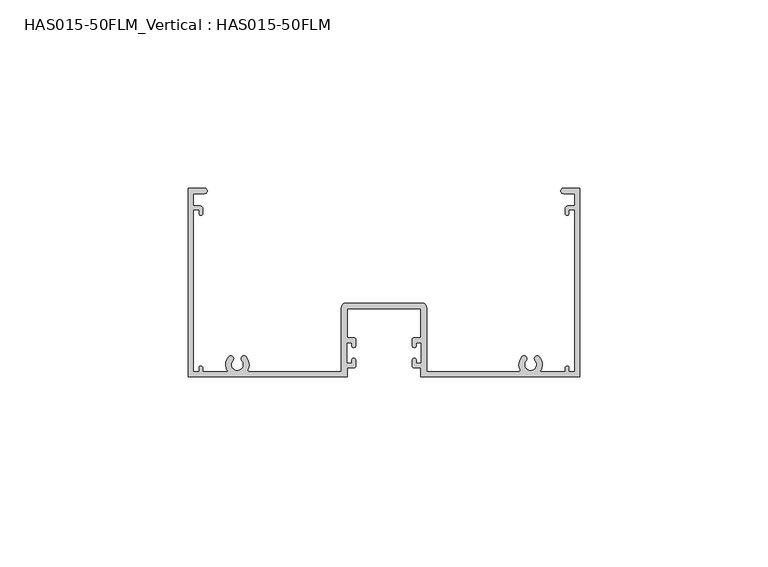
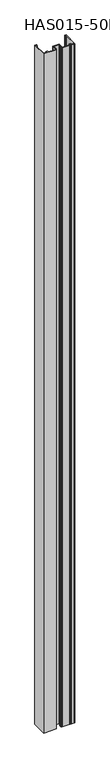
"""IFC4 building model written with IfcOpenShell, lengths in millimetres: beam geometry, HAS015-50FLM_Vertical : HAS015-50FLM."""

from ifc_helpers import new_model, si_unit, point, frame, frame_2d, origin, place, context, project, spatial, polyline, circle_curve, trimmed, segment, composite_curve, outline, extrude, source, transform, mapped, element, save


def has015_50flm_vertical_has015_50flm_525d4719(model_context):
    return source(origin(), model_context, "Body", "SweptSolid", [
        extrude(outline(composite_curve([segment(polyline([(-9.7397316, 2.3590177), (-9.7397316, 0.0), (-51.998773, 0.0), (-51.998773, 50.0959329), (-47.6822725, 50.0959329)]), True, "CONTINUOUS"), segment(trimmed(circle_curve(frame_2d((-47.6822725, 49.3932468)), 0.7026861), [point((-47.6822725, 50.0959329))], [point((-47.6822725, 48.6905607))], False, "CARTESIAN"), True, "CONTINUOUS"), segment(polyline([(-47.6822725, 48.6905607), (-50.6435926, 48.6905607), (-50.6435926, 45.4280894), (-48.9370692, 45.4280894)]), True, "CONTINUOUS"), segment(trimmed(circle_curve(frame_2d((-48.9370692, 44.6250195)), 0.8030699), [point((-48.9370692, 45.4280894))], [point((-48.1339993, 44.6250195))], False, "CARTESIAN"), True, "CONTINUOUS"), segment(polyline([(-48.1339993, 44.6250195), (-48.1339993, 43.4204148)]), True, "CONTINUOUS"), segment(trimmed(circle_curve(frame_2d((-48.635918, 43.4204148)), 0.5019187), [point((-48.1339993, 43.4204148))], [point((-49.1378366, 43.4204148))], False, "CARTESIAN"), True, "CONTINUOUS"), segment(polyline([(-49.1378366, 43.4204148), (-49.1378366, 44.4242521), (-50.6435926, 44.4242521), (-50.6435926, 1.3551804), (-49.1378366, 1.3551804), (-49.1378366, 2.3590177)]), True, "CONTINUOUS"), segment(trimmed(circle_curve(frame_2d((-48.635918, 2.3590177)), 0.5019187), [point((-49.1378366, 2.3590177))], [point((-48.1339993, 2.3590177))], False, "CARTESIAN"), True, "CONTINUOUS"), segment(polyline([(-48.1339993, 2.3590177), (-48.1339993, 1.3545941), (-41.4077771, 1.3545941)]), True, "CONTINUOUS"), segment(trimmed(circle_curve(frame_2d((-38.9488879, 3.261885)), 3.1118957), [point((-41.4077771, 1.3545941))], [point((-41.283567, 5.3193515))], False, "CARTESIAN"), True, "CONTINUOUS"), segment(trimmed(circle_curve(frame_2d((-40.7187253, 4.8215773)), 0.752878), [point((-41.283567, 5.3193515))], [point((-40.1538835, 4.3238032))], False, "CARTESIAN"), True, "CONTINUOUS"), segment(trimmed(circle_curve(frame_2d((-38.9488879, 3.261885)), 1.6061397), [point((-40.1538835, 4.3238032))], [point((-38.9185853, 1.6560312))], True, "CARTESIAN"), True, "CONTINUOUS"), segment(trimmed(circle_curve(frame_2d((-38.9488879, 3.261885)), 1.6061397), [point((-38.9185853, 1.6560312))], [point((-37.7438922, 4.3238032))], True, "CARTESIAN"), True, "CONTINUOUS"), segment(trimmed(circle_curve(frame_2d((-37.1790505, 4.8215773)), 0.752878), [point((-37.7438922, 4.3238032))], [point((-36.6142088, 5.3193515))], False, "CARTESIAN"), True, "CONTINUOUS"), segment(trimmed(circle_curve(frame_2d((-38.9488879, 3.261885)), 3.1118957), [point((-36.6142088, 5.3193515))], [point((-36.1372659, 1.9282147))], False, "CARTESIAN"), True, "CONTINUOUS"), segment(trimmed(circle_curve(frame_2d((-35.7744765, 1.7561284)), 0.4015343), [point((-36.1372659, 1.9282147))], [point((-35.7744765, 1.3545941))], True, "CARTESIAN"), True, "CONTINUOUS"), segment(polyline([(-35.7744765, 1.3545941), (-11.2956794, 1.3545941), (-11.2956794, 18.3702229)]), True, "CONTINUOUS"), segment(trimmed(circle_curve(frame_2d((-10.0910746, 18.3702229)), 1.2046048), [point((-11.2956794, 18.3702229))], [point((-10.0910746, 19.5748277))], False, "CARTESIAN"), True, "CONTINUOUS"), segment(polyline([(-10.0910746, 19.5748277), (10.0910746, 19.5748277)]), True, "CONTINUOUS"), segment(trimmed(circle_curve(frame_2d((10.0910746, 18.3702229)), 1.2046048), [point((10.0910746, 19.5748277))], [point((11.2956794, 18.3702229))], False, "CARTESIAN"), True, "CONTINUOUS"), segment(polyline([(11.2956794, 18.3702229), (11.2956794, 1.3545941), (35.7744765, 1.3545941)]), True, "CONTINUOUS"), segment(trimmed(circle_curve(frame_2d((35.7744765, 1.7561284)), 0.4015343), [point((35.7744765, 1.3545941))], [point((36.1372659, 1.9282147))], True, "CARTESIAN"), True, "CONTINUOUS"), segment(trimmed(circle_curve(frame_2d((38.9488879, 3.261885)), 3.1118957), [point((36.1372659, 1.9282147))], [point((36.6142088, 5.3193515))], False, "CARTESIAN"), True, "CONTINUOUS"), segment(trimmed(circle_curve(frame_2d((37.1790505, 4.8215773)), 0.752878), [point((36.6142088, 5.3193515))], [point((37.7438922, 4.3238032))], False, "CARTESIAN"), True, "CONTINUOUS"), segment(trimmed(circle_curve(frame_2d((38.9488879, 3.261885)), 1.6061397), [point((37.7438922, 4.3238032))], [point((38.9939217, 1.6563768))], True, "CARTESIAN"), True, "CONTINUOUS"), segment(trimmed(circle_curve(frame_2d((38.9488879, 3.261885)), 1.6061397), [point((38.9939217, 1.6563768))], [point((40.1538836, 4.3238032))], True, "CARTESIAN"), True, "CONTINUOUS"), segment(trimmed(circle_curve(frame_2d((40.7187253, 4.8215773)), 0.752878), [point((40.1538836, 4.3238032))], [point((41.283567, 5.3193515))], False, "CARTESIAN"), True, "CONTINUOUS"), segment(trimmed(circle_curve(frame_2d((38.9488879, 3.261885)), 3.1118957), [point((41.283567, 5.3193515))], [point((41.4082317, 1.3551804))], False, "CARTESIAN"), True, "CONTINUOUS"), segment(polyline([(41.4082317, 1.3551804), (48.1339993, 1.3551804), (48.1339993, 2.3590177)]), True, "CONTINUOUS"), segment(trimmed(circle_curve(frame_2d((48.635918, 2.3590177)), 0.5019187), [point((48.1339993, 2.3590177))], [point((49.1378366, 2.3590177))], False, "CARTESIAN"), True, "CONTINUOUS"), segment(polyline([(49.1378366, 2.3590177), (49.1378366, 1.3551804), (50.6435926, 1.3551804), (50.6435926, 44.4242521), (49.1378366, 44.4242521), (49.1378366, 43.4204148)]), True, "CONTINUOUS"), segment(trimmed(circle_curve(frame_2d((48.635918, 43.4204148)), 0.5019187), [point((49.1378366, 43.4204148))], [point((48.1339993, 43.4204148))], False, "CARTESIAN"), True, "CONTINUOUS"), segment(polyline([(48.1339993, 43.4204148), (48.1339993, 44.6250195)]), True, "CONTINUOUS"), segment(trimmed(circle_curve(frame_2d((48.9370692, 44.6250195)), 0.8030699), [point((48.1339993, 44.6250195))], [point((48.9370692, 45.4280894))], False, "CARTESIAN"), True, "CONTINUOUS"), segment(polyline([(48.9370692, 45.4280894), (50.6435926, 45.4280894), (50.6435926, 48.6905607), (47.6822725, 48.6905607)]), True, "CONTINUOUS"), segment(trimmed(circle_curve(frame_2d((47.6822725, 49.3932468)), 0.7026861), [point((47.6822725, 48.6905607))], [point((47.6822725, 50.0959329))], False, "CARTESIAN"), True, "CONTINUOUS"), segment(polyline([(47.6822725, 50.0959329), (51.998773, 50.0959329), (51.998773, 0.0), (9.7397316, 0.0), (9.7397316, 2.3590177), (8.0332081, 2.3590177)]), True, "CONTINUOUS"), segment(trimmed(circle_curve(frame_2d((8.0332081, 2.8609364)), 0.5019187), [point((8.0332081, 2.3590177))], [point((7.5312895, 2.8609364))], False, "CARTESIAN"), True, "CONTINUOUS"), segment(polyline([(7.5312895, 2.8609364), (7.5312895, 4.4663086)]), True, "CONTINUOUS"), segment(trimmed(circle_curve(frame_2d((8.0332081, 4.4663086)), 0.5019187), [point((7.5312895, 4.4663086))], [point((8.5351268, 4.4663086))], False, "CARTESIAN"), True, "CONTINUOUS"), segment(polyline([(8.5351268, 4.4663086), (8.5351268, 3.6640062), (9.940499, 3.6640062), (9.940499, 9.0847277), (8.5351268, 9.0847277), (8.5351268, 8.2824253)]), True, "CONTINUOUS"), segment(trimmed(circle_curve(frame_2d((8.0332081, 8.2824253)), 0.5019187), [point((8.5351268, 8.2824253))], [point((7.5312895, 8.2824253))], False, "CARTESIAN"), True, "CONTINUOUS"), segment(polyline([(7.5312895, 8.2824253), (7.5312895, 9.8877976)]), True, "CONTINUOUS"), segment(trimmed(circle_curve(frame_2d((8.0332081, 9.8877976)), 0.5019187), [point((7.5312895, 9.8877976))], [point((8.0332081, 10.3897162))], False, "CARTESIAN"), True, "CONTINUOUS"), segment(polyline([(8.0332081, 10.3897162), (9.7397316, 10.3897162), (9.7397316, 18.0188798), (-9.7397316, 18.0188798), (-9.7397316, 10.3897162), (-8.0332081, 10.3897162)]), True, "CONTINUOUS"), segment(trimmed(circle_curve(frame_2d((-8.0332081, 9.8877976)), 0.5019187), [point((-8.0332081, 10.3897162))], [point((-7.5312895, 9.8877976))], False, "CARTESIAN"), True, "CONTINUOUS"), segment(polyline([(-7.5312895, 9.8877976), (-7.5312895, 8.2824253)]), True, "CONTINUOUS"), segment(trimmed(circle_curve(frame_2d((-8.0332081, 8.2824253)), 0.5019187), [point((-7.5312895, 8.2824253))], [point((-8.5351268, 8.2824253))], False, "CARTESIAN"), True, "CONTINUOUS"), segment(polyline([(-8.5351268, 8.2824253), (-8.5351268, 9.0847277), (-9.940499, 9.0847277), (-9.940499, 3.6640062), (-8.5351268, 3.6640062), (-8.5351268, 4.4663086)]), True, "CONTINUOUS"), segment(trimmed(circle_curve(frame_2d((-8.0332081, 4.4663086)), 0.5019187), [point((-8.5351268, 4.4663086))], [point((-7.5312895, 4.4663086))], False, "CARTESIAN"), True, "CONTINUOUS"), segment(polyline([(-7.5312895, 4.4663086), (-7.5312895, 2.8609364)]), True, "CONTINUOUS"), segment(trimmed(circle_curve(frame_2d((-8.0332081, 2.8609364)), 0.5019187), [point((-7.5312895, 2.8609364))], [point((-8.0332081, 2.3590177))], False, "CARTESIAN"), True, "CONTINUOUS"), segment(polyline([(-8.0332081, 2.3590177), (-9.7397316, 2.3590177)]), True, "CONTINUOUS")], self_intersect=False)), frame((0.0, 0.0, -1200.0), z_axis=(0.0, 0.0, 1.0), x_axis=(1.0, 0.0, 0.0)), (0.0, 0.0, 1.0), 2400.0),
    ])


if __name__ == "__main__":
    model = new_model("IFC4")
    model_context = context("Model", 3, world=origin())
    ifc_project = project(units=[si_unit("LENGTHUNIT", "METRE", prefix="MILLI")], contexts=[model_context])
    site = spatial("IfcSite", under=ifc_project)
    building = spatial("IfcBuilding", under=site)
    placement = place(None, origin())
    has015_50flm_vertical_has015_50flm_shape = has015_50flm_vertical_has015_50flm_525d4719(model_context)
    element("IfcBeam", 1, ObjectType="HAS015-50FLM_Vertical : HAS015-50FLM", at=placement, inside=building, context=model_context, shape_type="MappedRepresentation", body=[
        mapped(has015_50flm_vertical_has015_50flm_shape, transform((0.0, 0.0, 0.0), x_axis=(1.0, 0.0, 0.0), y_axis=(0.0, 1.0, 0.0), z_axis=(0.0, 0.0, 1.0))),
    ])
    save(model, "model.ifc")
